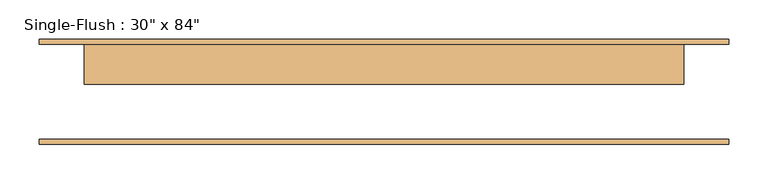
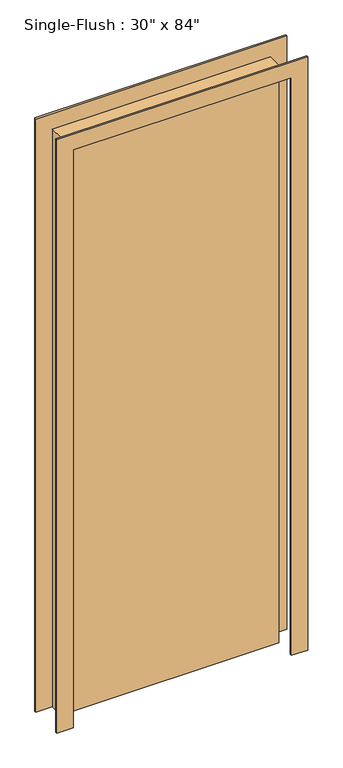
"""IFC4 building model written with IfcOpenShell, lengths in millimetres: door geometry."""

from ifc_helpers import new_model, si_unit, frame, origin, origin_with_axes, place, context, project, spatial, polyline, outline, extrude, source, transform, mapped, element, save


def door_0e7556bf(model_context):
    return source(origin(), model_context, "Body", "SweptSolid", [
        extrude(outline(polyline([(2190.75, -438.15), (0.0, -438.15), (0.0, -381.0), (2133.6, -381.0), (2133.6, 381.0), (0.0, 381.0), (0.0, 438.15), (2190.75, 438.15), (2190.75, -438.15)])), frame((0.0, 60.325, 0.0), z_axis=(0.0, 1.0, 0.0), x_axis=(0.0, 0.0, 1.0)), (0.0, 0.0, 1.0), 6.35),
        extrude(outline(polyline([(2190.75, 438.15), (2190.75, -438.15), (0.0, -438.15), (0.0, -381.0), (2133.6, -381.0), (2133.6, 381.0), (0.0, 381.0), (0.0, 438.15), (2190.75, 438.15)])), frame((0.0, -66.675, 0.0), z_axis=(0.0, 1.0, 0.0), x_axis=(0.0, 0.0, 1.0)), (0.0, 0.0, 1.0), 6.35),
        extrude(outline(polyline([(381.0, 9.525), (-381.0, 9.525), (-381.0, 60.325), (381.0, 60.325), (381.0, 9.525)])), origin_with_axes(), (0.0, 0.0, 1.0), 2133.6),
    ])


if __name__ == "__main__":
    model = new_model("IFC4")
    model_context = context("Model", 3, world=origin())
    ifc_project = project(units=[si_unit("LENGTHUNIT", "METRE", prefix="MILLI")], contexts=[model_context])
    site = spatial("IfcSite", under=ifc_project)
    building = spatial("IfcBuilding", under=site)
    placement = place(None, origin())
    door_shape = door_0e7556bf(model_context)
    element("IfcDoor", 1, ObjectType="Single-Flush : 30\" x 84\"", at=placement, inside=building, context=model_context, shape_type="MappedRepresentation", body=[
        mapped(door_shape, transform((0.0, 0.0, 0.0), x_axis=(1.0, 0.0, 0.0), y_axis=(0.0, 1.0, 0.0), z_axis=(0.0, 0.0, 1.0))),
    ])
    save(model, "model.ifc")
